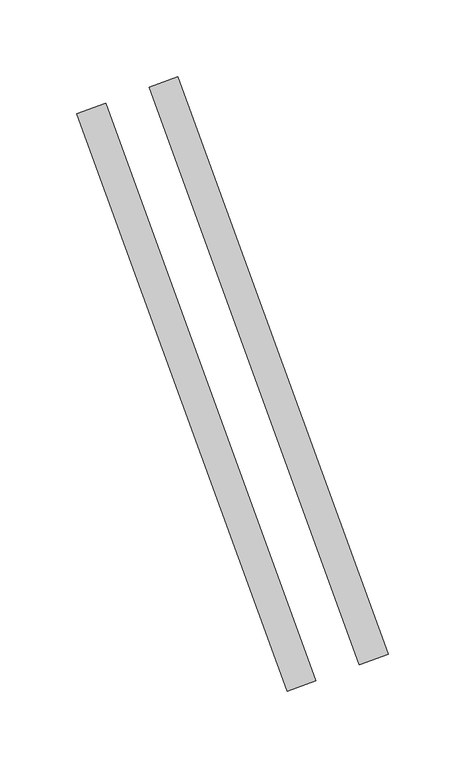
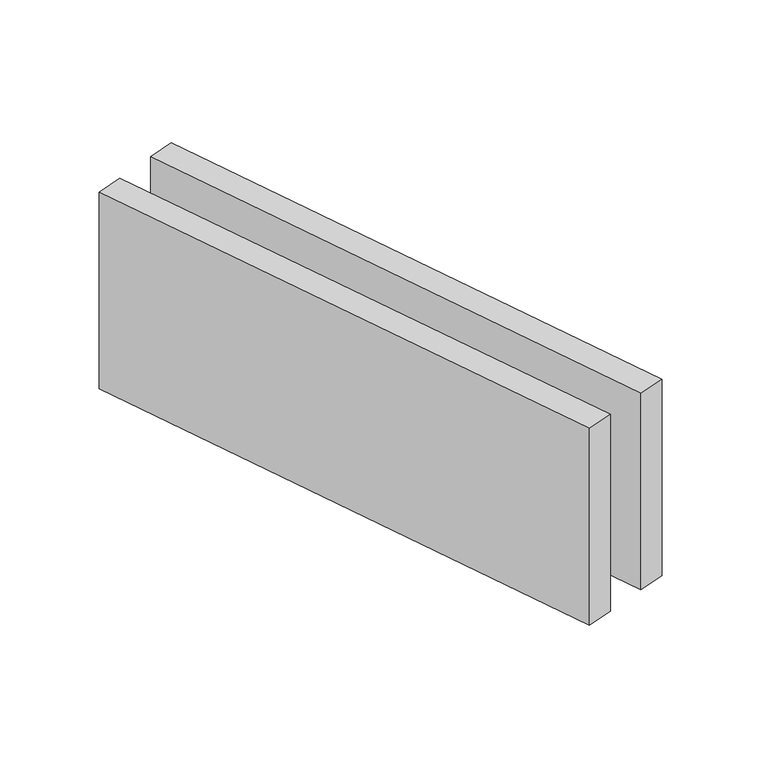
"""IFC4 building model written with IfcOpenShell, lengths in millimetres: proxy geometry."""

from ifc_helpers import new_model, si_unit, origin, origin_with_axes, place, context, project, spatial, polyline, outline, extrude, source, transform, mapped, element, save


def generic_models_c24a9490(model_context):
    return source(origin(), model_context, "Body", "SweptSolid", [
        extrude(outline(polyline([(150.9034466, -370.7467462), (14.0953893, 5.1303021), (32.8892417, 11.970705), (169.6972991, -363.9063433), (150.9034466, -370.7467462)])), origin_with_axes(), (0.0, 0.0, 1.0), 150.0),
        extrude(outline(polyline([(103.9188156, -387.8477533), (-32.8892417, -11.970705), (-14.0953893, -5.1303021), (122.712668, -381.0073505), (103.9188156, -387.8477533)])), origin_with_axes(), (0.0, 0.0, 1.0), 150.0),
    ])


if __name__ == "__main__":
    model = new_model("IFC4")
    model_context = context("Model", 3, world=origin())
    ifc_project = project(units=[si_unit("LENGTHUNIT", "METRE", prefix="MILLI")], contexts=[model_context])
    site = spatial("IfcSite", under=ifc_project)
    building = spatial("IfcBuilding", under=site)
    placement = place(None, origin())
    generic_models_shape = generic_models_c24a9490(model_context)
    element("IfcBuildingElementProxy", 1, Name="Generic Models", at=placement, inside=building, context=model_context, shape_type="MappedRepresentation", body=[
        mapped(generic_models_shape, transform((0.0, 0.0, 0.0), x_axis=(1.0, 0.0, 0.0), y_axis=(0.0, 1.0, 0.0), z_axis=(0.0, 0.0, 1.0))),
    ])
    save(model, "model.ifc")
